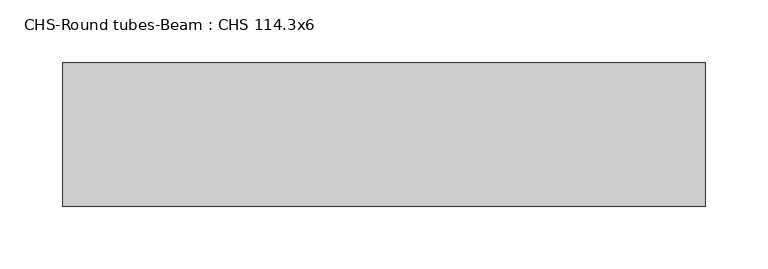
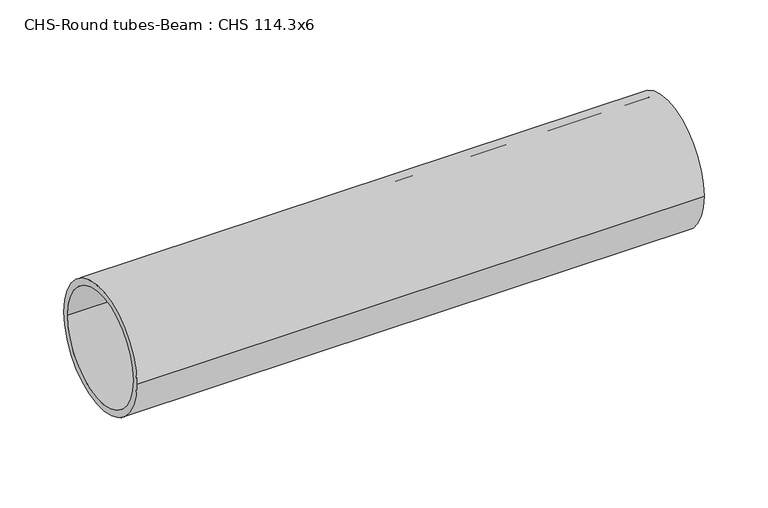
"""IFC4 building model written with IfcOpenShell, lengths in millimetres: beam geometry, CHS-Round tubes-Beam : CHS 114.3x6."""

from ifc_helpers import new_model, si_unit, point, frame, origin, origin_2d, place, context, project, spatial, circle_curve, trimmed, segment, composite_curve, outline, extrude, source, transform, mapped, element, save


def chs_round_tubes_beam_chs_114_3x6_0b94f682(model_context):
    return source(origin(), model_context, "Body", "SweptSolid", [
        extrude(outline(composite_curve([segment(trimmed(circle_curve(origin_2d(), 57.15), [point((57.15, 0.0))], [point((-57.15, 0.0))], False, "CARTESIAN"), True, "CONTINUOUS"), segment(trimmed(circle_curve(origin_2d(), 57.15), [point((-57.15, 0.0))], [point((57.15, 0.0))], False, "CARTESIAN"), True, "CONTINUOUS")], self_intersect=False), holes=[composite_curve([segment(trimmed(circle_curve(origin_2d(), 51.15), [point((51.15, 0.0))], [point((-51.15, 0.0))], True, "CARTESIAN"), True, "CONTINUOUS"), segment(trimmed(circle_curve(origin_2d(), 51.15), [point((-51.15, 0.0))], [point((51.15, 0.0))], True, "CARTESIAN"), True, "CONTINUOUS")], self_intersect=False)]), frame((-230.0077844, 0.0, 0.0), z_axis=(1.0, 0.0, 0.0), x_axis=(0.0, 1.0, 0.0)), (0.0, 0.0, 1.0), 512.319562),
    ])


if __name__ == "__main__":
    model = new_model("IFC4")
    model_context = context("Model", 3, world=origin())
    ifc_project = project(units=[si_unit("LENGTHUNIT", "METRE", prefix="MILLI")], contexts=[model_context])
    site = spatial("IfcSite", under=ifc_project)
    building = spatial("IfcBuilding", under=site)
    placement = place(None, origin())
    chs_round_tubes_beam_chs_114_3x6_shape = chs_round_tubes_beam_chs_114_3x6_0b94f682(model_context)
    element("IfcBeam", 1, ObjectType="CHS-Round tubes-Beam : CHS 114.3x6", at=placement, inside=building, context=model_context, shape_type="MappedRepresentation", body=[
        mapped(chs_round_tubes_beam_chs_114_3x6_shape, transform((0.0, 0.0, 0.0), x_axis=(1.0, 0.0, 0.0), y_axis=(0.0, 1.0, 0.0), z_axis=(0.0, 0.0, 1.0))),
    ])
    save(model, "model.ifc")
